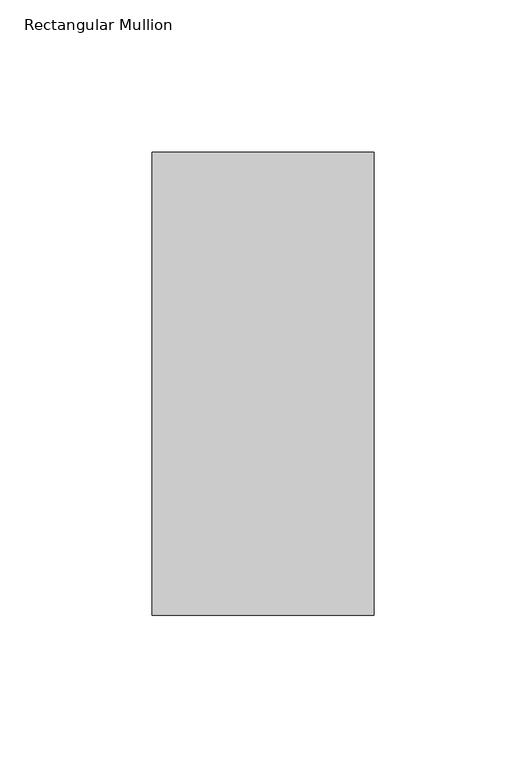
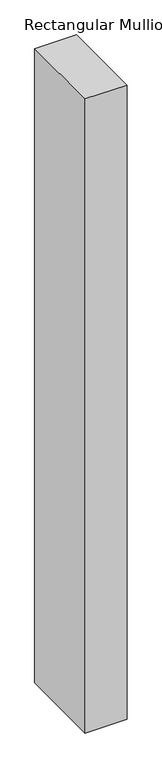
"""IFC4 building model written with IfcOpenShell, lengths in millimetres: member geometry, Rectangular Mullion."""

import ifcopenshell
import ifcopenshell.guid

model = None  # the IFC model being written
_history = None  # IfcOwnerHistory: only IFC2X3 demands one
_inside = {}  # id of a spatial element -> (the spatial element, [elements in it])
_under = {}  # id of a project, library or spatial element -> (it, [spatial elements below it])
_declared = {}  # id of a project -> (the project, [libraries it declares])
_typed = {}  # id of a type object -> (the type object, [elements of that type])
_made_of = {}  # id of a material, layer set ... -> (it, [elements and type objects made of it])


def new_model(schema):
    """Start an empty IFC model of exactly this schema.

    Asked for "IFC4X3", IfcOpenShell would pick the latest addendum, in which some entities
    have other attributes; the version numbers below select the first issue.
    IFC2X3 requires an IfcOwnerHistory on every rooted entity: one is made here for all.
    """
    global model, _history
    if schema == "IFC4X3":
        model = ifcopenshell.file(schema_version=(4, 3, 0, 0))
    else:
        model = ifcopenshell.file(schema=schema)
    _inside.clear()
    _under.clear()
    _declared.clear()
    _typed.clear()
    _made_of.clear()
    _history = None
    if model.schema == "IFC2X3":
        org = make("IfcOrganization", Name="unknown")
        user = make(
            "IfcPersonAndOrganization",
            ThePerson=make("IfcPerson", FamilyName="unknown"),
            TheOrganization=org,
        )
        app = make(
            "IfcApplication",
            ApplicationDeveloper=org,
            Version="unknown",
            ApplicationFullName="unknown",
            ApplicationIdentifier="unknown",
        )
        _history = make(
            "IfcOwnerHistory",
            OwningUser=user,
            OwningApplication=app,
            ChangeAction="ADDED",
            CreationDate=0,
        )
    return model


def make(cls, **values):
    """One entity of the class cls with the attributes given. An attribute that is None is left unset."""
    return model.create_entity(
        cls, **{name: value for name, value in values.items() if value is not None}
    )


def rooted(cls, **values):
    """An entity with a GlobalId (a new one), such as an element, a storey or a relation."""
    return make(cls, GlobalId=ifcopenshell.guid.new(), OwnerHistory=_history, **values)


def si_unit(unit_type, name, prefix=None):
    """IfcSIUnit, for example si_unit("LENGTHUNIT", "METRE", prefix="MILLI")."""
    return make("IfcSIUnit", UnitType=unit_type, Prefix=prefix, Name=name)


def assignment(units):
    """IfcUnitAssignment: the units of a project."""
    return None if units is None else make("IfcUnitAssignment", Units=units)


def point(xyz):
    """IfcCartesianPoint."""
    return None if xyz is None else make("IfcCartesianPoint", Coordinates=xyz)


def direction(xyz):
    """IfcDirection."""
    return None if xyz is None else make("IfcDirection", DirectionRatios=xyz)


def frame(location, z_axis=None, x_axis=None):
    """IfcAxis2Placement3D, a coordinate frame: its origin and axes. An axis left out is left unset."""
    return make(
        "IfcAxis2Placement3D",
        Location=point(location),
        Axis=direction(z_axis),
        RefDirection=direction(x_axis),
    )


def origin():
    """The frame at (0, 0, 0) with its axes left unset."""
    return frame((0.0, 0.0, 0.0))


def place(relative_to, where):
    """IfcLocalPlacement: puts the frame where relative to a parent placement (None: the world)."""
    return make(
        "IfcLocalPlacement", PlacementRelTo=relative_to, RelativePlacement=where
    )


def context(
    kind, dimensions, precision=None, world=None, true_north=None, identifier=None
):
    """IfcGeometricRepresentationContext, for example the 3D "Model" context."""
    return make(
        "IfcGeometricRepresentationContext",
        ContextIdentifier=identifier,
        ContextType=kind,
        CoordinateSpaceDimension=dimensions,
        Precision=precision,
        WorldCoordinateSystem=world,
        TrueNorth=true_north,
    )


def project(units=None, contexts=None):
    """IfcProject with its units and contexts."""
    return rooted(
        "IfcProject",
        Name="project",
        RepresentationContexts=contexts,
        UnitsInContext=assignment(units),
    )


def spatial(cls, under=None, at=None, **own):
    """A site, building, storey or space (cls), placed at a placement, below another one or the project."""
    s = rooted(cls, ObjectPlacement=at, **own)
    if under is not None:
        _under.setdefault(under.id(), (under, []))[1].append(s)
    return s


def polyline(points):
    """IfcPolyline through the points."""
    return make("IfcPolyline", Points=[point(p) for p in points])


def outline(outer, holes=None, kind="AREA"):
    """IfcArbitraryClosedProfileDef: a profile drawn as a closed curve; with holes, ...WithVoids."""
    if holes is None:
        return make("IfcArbitraryClosedProfileDef", ProfileType=kind, OuterCurve=outer)
    return make(
        "IfcArbitraryProfileDefWithVoids",
        ProfileType=kind,
        OuterCurve=outer,
        InnerCurves=holes,
    )


def extrude(swept, where, along, depth):
    """IfcExtrudedAreaSolid: the profile swept, set in the frame where, extruded along a direction by depth."""
    return make(
        "IfcExtrudedAreaSolid",
        SweptArea=swept,
        Position=where,
        ExtrudedDirection=direction(along),
        Depth=depth,
    )


def shape(context_of_items, identifier, shape_type, items):
    """IfcShapeRepresentation: the items that make up one representation, for example the "Body"."""
    return make(
        "IfcShapeRepresentation",
        ContextOfItems=context_of_items,
        RepresentationIdentifier=identifier,
        RepresentationType=shape_type,
        Items=items,
    )


def source(mapping_origin, context_of_items, identifier, shape_type, items):
    """IfcRepresentationMap: a shape defined once, which mapped items show again and again."""
    return make(
        "IfcRepresentationMap",
        MappingOrigin=mapping_origin,
        MappedRepresentation=shape(context_of_items, identifier, shape_type, items),
    )


def transform(
    local_origin,
    x_axis=None,
    y_axis=None,
    z_axis=None,
    scale=None,
    scale2=None,
    scale3=None,
    uniform=True,
):
    """IfcCartesianTransformationOperator3D, or its non-uniform kind. x_axis, y_axis, z_axis: its Axis1, 2, 3."""
    if uniform:
        return make(
            "IfcCartesianTransformationOperator3D",
            Axis1=direction(x_axis),
            Axis2=direction(y_axis),
            LocalOrigin=point(local_origin),
            Scale=scale,
            Axis3=direction(z_axis),
        )
    return make(
        "IfcCartesianTransformationOperator3DnonUniform",
        Axis1=direction(x_axis),
        Axis2=direction(y_axis),
        LocalOrigin=point(local_origin),
        Scale=scale,
        Axis3=direction(z_axis),
        Scale2=scale2,
        Scale3=scale3,
    )


def mapped(mapping_source, mapping_target):
    """IfcMappedItem: shows the shape of a source again, moved by a transform."""
    return make(
        "IfcMappedItem", MappingSource=mapping_source, MappingTarget=mapping_target
    )


def made_of(thing, what):
    """Note that an element or type object is made of a material, layer set ...; save() writes the relation."""
    if what is not None:
        _made_of.setdefault(what.id(), (what, []))[1].append(thing)
    return thing


def element(
    cls,
    number,
    at=None,
    inside=None,
    cuts=None,
    type_object=None,
    material=None,
    context=None,
    identifier="Body",
    shape_type=None,
    held_by="IfcProductDefinitionShape",
    body=None,
    shapes=None,
    **own,
):
    """One element of the class cls, such as IfcWall. Its Tag is "e" and its number.

    at: its placement. inside: the storey or other place that contains it. cuts: it is an
    opening in that element (IfcRelVoidsElement). A single representation is given by context,
    identifier, shape_type and body (its items); several are given by shapes. held_by: the class
    of the entity that holds the representations. save() writes the other relations.
    """
    e = rooted(cls, Tag="e%d" % number, ObjectPlacement=at, **own)
    if body is not None:
        shapes = [shape(context, identifier, shape_type, body)]
    if shapes is not None:
        e.Representation = make(held_by, Representations=shapes)
    if inside is not None:
        _inside.setdefault(inside.id(), (inside, []))[1].append(e)
    if cuts is not None:
        rooted(
            "IfcRelVoidsElement", RelatingBuildingElement=cuts, RelatedOpeningElement=e
        )
    if type_object is not None:
        _typed.setdefault(type_object.id(), (type_object, []))[1].append(e)
    return made_of(e, material)


def aggregate(whole, parts):
    """IfcRelAggregates: a whole, such as a stair, and the parts it consists of."""
    return rooted("IfcRelAggregates", RelatingObject=whole, RelatedObjects=parts)


def save(model, path):
    """Write the relations noted so far, then the file.

    IfcRelAggregates (storeys below a building ...), IfcRelContainedInSpatialStructure (elements
    in a storey), IfcRelDefinesByType, IfcRelAssociatesMaterial and IfcRelDeclares: one each for
    every whole, place, type object, material and project.
    """
    for whole, parts in _under.values():
        aggregate(whole, parts)
    for where, things in _inside.values():
        rooted(
            "IfcRelContainedInSpatialStructure",
            RelatedElements=things,
            RelatingStructure=where,
        )
    for kind, things in _typed.values():
        rooted("IfcRelDefinesByType", RelatedObjects=things, RelatingType=kind)
    for what, things in _made_of.values():
        rooted("IfcRelAssociatesMaterial", RelatedObjects=things, RelatingMaterial=what)
    for by, libraries in _declared.values():
        rooted("IfcRelDeclares", RelatingContext=by, RelatedDefinitions=libraries)
    model.write(path)


def rectangular_mullion_1e6aa5fa(model_context):
    return source(origin(), model_context, "Body", "SweptSolid", [
        extrude(outline(polyline([(-73.0249529, 26.19375), (0.0, 26.19375), (0.0, -126.20625), (-73.0249529, -126.20625), (-73.0249529, 26.19375)])), frame((0.0, 0.0, -1168.4), z_axis=(0.0, 0.0, 1.0), x_axis=(1.0, 0.0, 0.0)), (0.0, 0.0, 1.0), 1168.4),
    ])


if __name__ == "__main__":
    model = new_model("IFC4")
    model_context = context("Model", 3, world=origin())
    ifc_project = project(units=[si_unit("LENGTHUNIT", "METRE", prefix="MILLI")], contexts=[model_context])
    site = spatial("IfcSite", under=ifc_project)
    building = spatial("IfcBuilding", under=site)
    placement = place(None, origin())
    rectangular_mullion_shape = rectangular_mullion_1e6aa5fa(model_context)
    element("IfcMember", 1, ObjectType="Rectangular Mullion", at=placement, inside=building, context=model_context, shape_type="MappedRepresentation", body=[
        mapped(rectangular_mullion_shape, transform((0.0, 0.0, 0.0), x_axis=(1.0, 0.0, 0.0), y_axis=(0.0, 1.0, 0.0), z_axis=(0.0, 0.0, 1.0))),
    ])
    save(model, "model.ifc")
